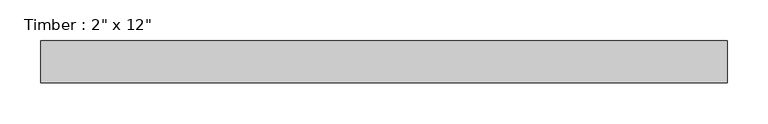
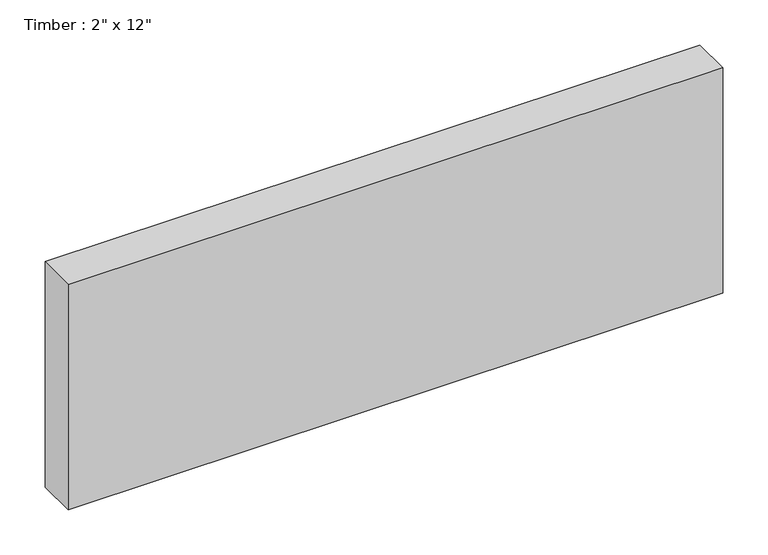
"""IFC4 building model written with IfcOpenShell, lengths in millimetres: beam geometry."""

from ifc_helpers import new_model, si_unit, frame, origin, place, context, project, spatial, polyline, outline, extrude, source, transform, mapped, element, save


def beam_0018fdba(model_context):
    return source(origin(), model_context, "Body", "SweptSolid", [
        extrude(outline(polyline([(416.9090957, 25.4), (416.9090957, -25.4), (-420.0593558, -25.4), (-420.0593558, 25.4), (416.9090957, 25.4)])), frame((0.0, 0.0, -152.4), z_axis=(0.0, 0.0, 1.0), x_axis=(1.0, 0.0, 0.0)), (0.0, 0.0, 1.0), 304.8),
    ])


if __name__ == "__main__":
    model = new_model("IFC4")
    model_context = context("Model", 3, world=origin())
    ifc_project = project(units=[si_unit("LENGTHUNIT", "METRE", prefix="MILLI")], contexts=[model_context])
    site = spatial("IfcSite", under=ifc_project)
    building = spatial("IfcBuilding", under=site)
    placement = place(None, origin())
    beam_shape = beam_0018fdba(model_context)
    element("IfcBeam", 1, ObjectType="Timber : 2\" x 12\"", at=placement, inside=building, context=model_context, shape_type="MappedRepresentation", body=[
        mapped(beam_shape, transform((0.0, 0.0, 0.0), x_axis=(1.0, 0.0, 0.0), y_axis=(0.0, 1.0, 0.0), z_axis=(0.0, 0.0, 1.0))),
    ])
    save(model, "model.ifc")
